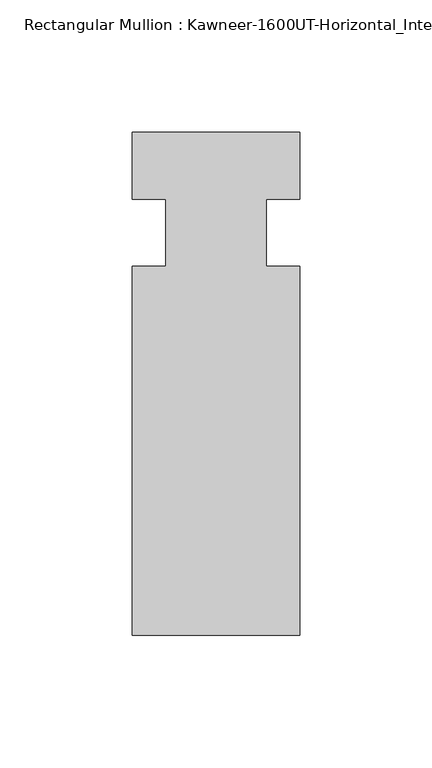
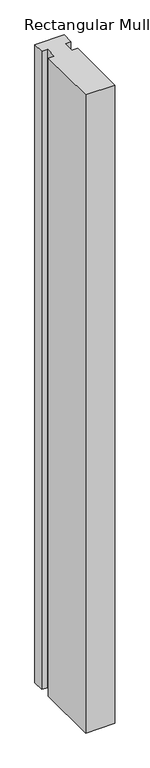
"""IFC4 building model written with IfcOpenShell, lengths in millimetres: member geometry."""

import ifcopenshell
import ifcopenshell.guid

model = None  # the IFC model being written
_history = None  # IfcOwnerHistory: only IFC2X3 demands one
_inside = {}  # id of a spatial element -> (the spatial element, [elements in it])
_under = {}  # id of a project, library or spatial element -> (it, [spatial elements below it])
_declared = {}  # id of a project -> (the project, [libraries it declares])
_typed = {}  # id of a type object -> (the type object, [elements of that type])
_made_of = {}  # id of a material, layer set ... -> (it, [elements and type objects made of it])


def new_model(schema):
    """Start an empty IFC model of exactly this schema.

    Asked for "IFC4X3", IfcOpenShell would pick the latest addendum, in which some entities
    have other attributes; the version numbers below select the first issue.
    IFC2X3 requires an IfcOwnerHistory on every rooted entity: one is made here for all.
    """
    global model, _history
    if schema == "IFC4X3":
        model = ifcopenshell.file(schema_version=(4, 3, 0, 0))
    else:
        model = ifcopenshell.file(schema=schema)
    _inside.clear()
    _under.clear()
    _declared.clear()
    _typed.clear()
    _made_of.clear()
    _history = None
    if model.schema == "IFC2X3":
        org = make("IfcOrganization", Name="unknown")
        user = make(
            "IfcPersonAndOrganization",
            ThePerson=make("IfcPerson", FamilyName="unknown"),
            TheOrganization=org,
        )
        app = make(
            "IfcApplication",
            ApplicationDeveloper=org,
            Version="unknown",
            ApplicationFullName="unknown",
            ApplicationIdentifier="unknown",
        )
        _history = make(
            "IfcOwnerHistory",
            OwningUser=user,
            OwningApplication=app,
            ChangeAction="ADDED",
            CreationDate=0,
        )
    return model


def make(cls, **values):
    """One entity of the class cls with the attributes given. An attribute that is None is left unset."""
    return model.create_entity(
        cls, **{name: value for name, value in values.items() if value is not None}
    )


def rooted(cls, **values):
    """An entity with a GlobalId (a new one), such as an element, a storey or a relation."""
    return make(cls, GlobalId=ifcopenshell.guid.new(), OwnerHistory=_history, **values)


def si_unit(unit_type, name, prefix=None):
    """IfcSIUnit, for example si_unit("LENGTHUNIT", "METRE", prefix="MILLI")."""
    return make("IfcSIUnit", UnitType=unit_type, Prefix=prefix, Name=name)


def assignment(units):
    """IfcUnitAssignment: the units of a project."""
    return None if units is None else make("IfcUnitAssignment", Units=units)


def point(xyz):
    """IfcCartesianPoint."""
    return None if xyz is None else make("IfcCartesianPoint", Coordinates=xyz)


def direction(xyz):
    """IfcDirection."""
    return None if xyz is None else make("IfcDirection", DirectionRatios=xyz)


def frame(location, z_axis=None, x_axis=None):
    """IfcAxis2Placement3D, a coordinate frame: its origin and axes. An axis left out is left unset."""
    return make(
        "IfcAxis2Placement3D",
        Location=point(location),
        Axis=direction(z_axis),
        RefDirection=direction(x_axis),
    )


def origin():
    """The frame at (0, 0, 0) with its axes left unset."""
    return frame((0.0, 0.0, 0.0))


def place(relative_to, where):
    """IfcLocalPlacement: puts the frame where relative to a parent placement (None: the world)."""
    return make(
        "IfcLocalPlacement", PlacementRelTo=relative_to, RelativePlacement=where
    )


def context(
    kind, dimensions, precision=None, world=None, true_north=None, identifier=None
):
    """IfcGeometricRepresentationContext, for example the 3D "Model" context."""
    return make(
        "IfcGeometricRepresentationContext",
        ContextIdentifier=identifier,
        ContextType=kind,
        CoordinateSpaceDimension=dimensions,
        Precision=precision,
        WorldCoordinateSystem=world,
        TrueNorth=true_north,
    )


def project(units=None, contexts=None):
    """IfcProject with its units and contexts."""
    return rooted(
        "IfcProject",
        Name="project",
        RepresentationContexts=contexts,
        UnitsInContext=assignment(units),
    )


def spatial(cls, under=None, at=None, **own):
    """A site, building, storey or space (cls), placed at a placement, below another one or the project."""
    s = rooted(cls, ObjectPlacement=at, **own)
    if under is not None:
        _under.setdefault(under.id(), (under, []))[1].append(s)
    return s


def polyline(points):
    """IfcPolyline through the points."""
    return make("IfcPolyline", Points=[point(p) for p in points])


def outline(outer, holes=None, kind="AREA"):
    """IfcArbitraryClosedProfileDef: a profile drawn as a closed curve; with holes, ...WithVoids."""
    if holes is None:
        return make("IfcArbitraryClosedProfileDef", ProfileType=kind, OuterCurve=outer)
    return make(
        "IfcArbitraryProfileDefWithVoids",
        ProfileType=kind,
        OuterCurve=outer,
        InnerCurves=holes,
    )


def extrude(swept, where, along, depth):
    """IfcExtrudedAreaSolid: the profile swept, set in the frame where, extruded along a direction by depth."""
    return make(
        "IfcExtrudedAreaSolid",
        SweptArea=swept,
        Position=where,
        ExtrudedDirection=direction(along),
        Depth=depth,
    )


def shape(context_of_items, identifier, shape_type, items):
    """IfcShapeRepresentation: the items that make up one representation, for example the "Body"."""
    return make(
        "IfcShapeRepresentation",
        ContextOfItems=context_of_items,
        RepresentationIdentifier=identifier,
        RepresentationType=shape_type,
        Items=items,
    )


def source(mapping_origin, context_of_items, identifier, shape_type, items):
    """IfcRepresentationMap: a shape defined once, which mapped items show again and again."""
    return make(
        "IfcRepresentationMap",
        MappingOrigin=mapping_origin,
        MappedRepresentation=shape(context_of_items, identifier, shape_type, items),
    )


def transform(
    local_origin,
    x_axis=None,
    y_axis=None,
    z_axis=None,
    scale=None,
    scale2=None,
    scale3=None,
    uniform=True,
):
    """IfcCartesianTransformationOperator3D, or its non-uniform kind. x_axis, y_axis, z_axis: its Axis1, 2, 3."""
    if uniform:
        return make(
            "IfcCartesianTransformationOperator3D",
            Axis1=direction(x_axis),
            Axis2=direction(y_axis),
            LocalOrigin=point(local_origin),
            Scale=scale,
            Axis3=direction(z_axis),
        )
    return make(
        "IfcCartesianTransformationOperator3DnonUniform",
        Axis1=direction(x_axis),
        Axis2=direction(y_axis),
        LocalOrigin=point(local_origin),
        Scale=scale,
        Axis3=direction(z_axis),
        Scale2=scale2,
        Scale3=scale3,
    )


def mapped(mapping_source, mapping_target):
    """IfcMappedItem: shows the shape of a source again, moved by a transform."""
    return make(
        "IfcMappedItem", MappingSource=mapping_source, MappingTarget=mapping_target
    )


def made_of(thing, what):
    """Note that an element or type object is made of a material, layer set ...; save() writes the relation."""
    if what is not None:
        _made_of.setdefault(what.id(), (what, []))[1].append(thing)
    return thing


def element(
    cls,
    number,
    at=None,
    inside=None,
    cuts=None,
    type_object=None,
    material=None,
    context=None,
    identifier="Body",
    shape_type=None,
    held_by="IfcProductDefinitionShape",
    body=None,
    shapes=None,
    **own,
):
    """One element of the class cls, such as IfcWall. Its Tag is "e" and its number.

    at: its placement. inside: the storey or other place that contains it. cuts: it is an
    opening in that element (IfcRelVoidsElement). A single representation is given by context,
    identifier, shape_type and body (its items); several are given by shapes. held_by: the class
    of the entity that holds the representations. save() writes the other relations.
    """
    e = rooted(cls, Tag="e%d" % number, ObjectPlacement=at, **own)
    if body is not None:
        shapes = [shape(context, identifier, shape_type, body)]
    if shapes is not None:
        e.Representation = make(held_by, Representations=shapes)
    if inside is not None:
        _inside.setdefault(inside.id(), (inside, []))[1].append(e)
    if cuts is not None:
        rooted(
            "IfcRelVoidsElement", RelatingBuildingElement=cuts, RelatedOpeningElement=e
        )
    if type_object is not None:
        _typed.setdefault(type_object.id(), (type_object, []))[1].append(e)
    return made_of(e, material)


def aggregate(whole, parts):
    """IfcRelAggregates: a whole, such as a stair, and the parts it consists of."""
    return rooted("IfcRelAggregates", RelatingObject=whole, RelatedObjects=parts)


def save(model, path):
    """Write the relations noted so far, then the file.

    IfcRelAggregates (storeys below a building ...), IfcRelContainedInSpatialStructure (elements
    in a storey), IfcRelDefinesByType, IfcRelAssociatesMaterial and IfcRelDeclares: one each for
    every whole, place, type object, material and project.
    """
    for whole, parts in _under.values():
        aggregate(whole, parts)
    for where, things in _inside.values():
        rooted(
            "IfcRelContainedInSpatialStructure",
            RelatedElements=things,
            RelatingStructure=where,
        )
    for kind, things in _typed.values():
        rooted("IfcRelDefinesByType", RelatedObjects=things, RelatingType=kind)
    for what, things in _made_of.values():
        rooted("IfcRelAssociatesMaterial", RelatedObjects=things, RelatingMaterial=what)
    for by, libraries in _declared.values():
        rooted("IfcRelDeclares", RelatingContext=by, RelatedDefinitions=libraries)
    model.write(path)


def member_aa6920b0(model_context):
    return source(origin(), model_context, "Body", "SweptSolid", [
        extrude(outline(polyline([(31.75, -152.4), (-31.75, -152.4), (-31.75, -12.7), (-19.05, -12.7), (-19.05, 12.7), (-31.75, 12.7), (-31.75, 38.1), (31.75, 38.1), (31.75, 12.7), (19.05, 12.7), (19.05, -12.7), (31.75, -12.7), (31.75, -152.4)])), frame((0.0, 0.0, -1463.675), z_axis=(0.0, 0.0, 1.0), x_axis=(1.0, 0.0, 0.0)), (0.0, 0.0, 1.0), 1463.675),
    ])


if __name__ == "__main__":
    model = new_model("IFC4")
    model_context = context("Model", 3, world=origin())
    ifc_project = project(units=[si_unit("LENGTHUNIT", "METRE", prefix="MILLI")], contexts=[model_context])
    site = spatial("IfcSite", under=ifc_project)
    building = spatial("IfcBuilding", under=site)
    placement = place(None, origin())
    member_shape = member_aa6920b0(model_context)
    element("IfcMember", 1, ObjectType="Rectangular Mullion : Kawneer-1600UT-Horizontal_Interior-Dbl_Glass-7_1/2\"", at=placement, inside=building, context=model_context, shape_type="MappedRepresentation", body=[
        mapped(member_shape, transform((0.0, 0.0, 0.0), x_axis=(1.0, 0.0, 0.0), y_axis=(0.0, 1.0, 0.0), z_axis=(0.0, 0.0, 1.0))),
    ])
    save(model, "model.ifc")
